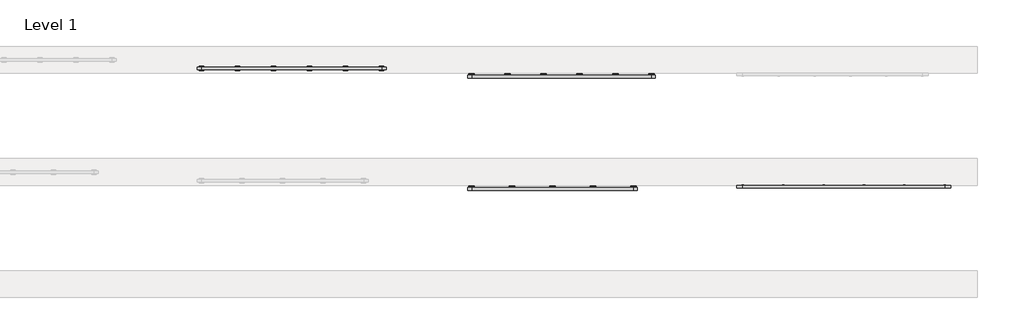
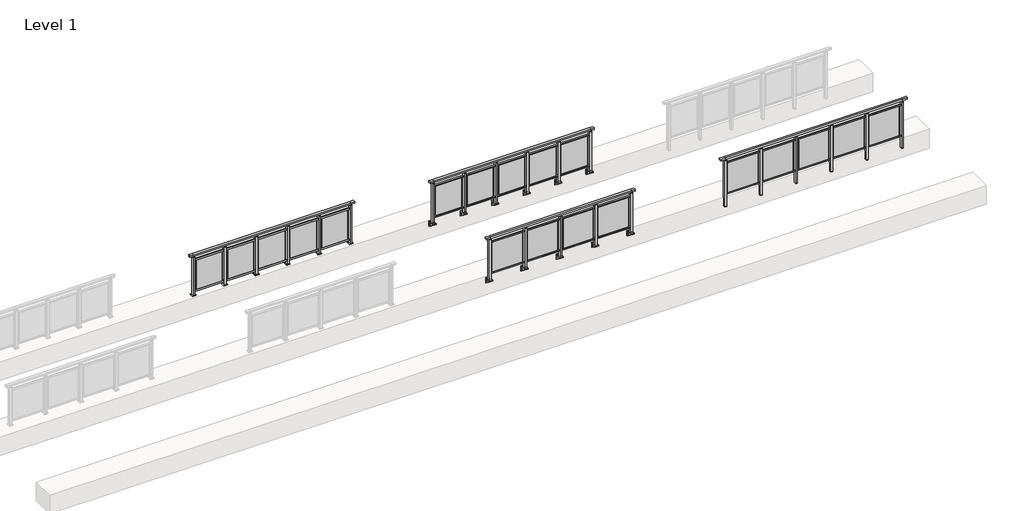
# One storey, part 36 of 37: 4 railings.
"""IFC4 building model written with IfcOpenShell, lengths in millimetres."""

from ifc_helpers import new_model, si_unit, point, frame, frame_2d, origin, origin_with_axes, place, context, project, spatial, polyline, circle_curve, trimmed, segment, composite_curve, outline, extrude, faceted_brep, element, save

model = new_model("IFC4")

# Units and contexts
model_context = context("Model", 3, world=origin())
ifc_project = project(units=[si_unit("LENGTHUNIT", "METRE", prefix="MILLI")], contexts=[model_context])

# Site, building, storey
site = spatial("IfcSite", under=ifc_project)
building = spatial("IfcBuilding", under=site)
storey = spatial("IfcBuildingStorey", under=building, Name="Level 1", Elevation=0.0)

# Railings
placement = place(None, origin())
element("IfcRailing", 1, at=placement, inside=storey, context=model_context, shape_type="SolidModel", body=[
    faceted_brep([(48027.0, 64897.6846828, 1055.0), (48027.0, 64897.6846828, 1100.0), (52527.0, 64897.6846828, 1100.0), (52527.0, 64897.6846828, 1055.0), (48027.0, 64837.6846828, 1055.0), (52527.0, 64837.6846828, 1055.0), (48027.0, 64837.6846828, 1100.0), (52527.0, 64837.6846828, 1100.0), (47899.5, 64897.6846828, 1100.0), (47899.5, 64897.6846828, 1055.0), (47899.5, 64837.6846828, 1055.0), (47899.5, 64837.6846828, 1100.0), (52654.5, 64897.6846828, 1100.0), (52654.5, 64837.6846828, 1100.0), (52654.5, 64837.6846828, 1055.0), (52654.5, 64897.6846828, 1055.0)], [[[0, 1, 2, 3]], [[4, 0, 3, 5]], [[6, 4, 5, 7]], [[1, 6, 7, 2]], [[8, 9, 10, 11]], [[9, 8, 1, 0]], [[10, 9, 0, 4]], [[11, 10, 4, 6]], [[8, 11, 6, 1]], [[12, 13, 14, 15]], [[3, 2, 12, 15]], [[5, 3, 15, 14]], [[7, 5, 14, 13]], [[2, 7, 13, 12]]]),
    extrude(outline(polyline([(48027.0, 64850.1846828), (48027.0, 64885.1846828), (52527.0, 64885.1846828), (52527.0, 64850.1846828), (48027.0, 64850.1846828)])), frame((0.0, 0.0, 930.0), z_axis=(0.0, 0.0, 1.0), x_axis=(1.0, 0.0, 0.0)), (0.0, 0.0, 1.0), 30.0),
    extrude(outline(polyline([(48027.0, 64850.1846828), (48027.0, 64885.1846828), (52527.0, 64885.1846828), (52527.0, 64850.1846828), (48027.0, 64850.1846828)])), frame((0.0, 0.0, 95.0), z_axis=(0.0, 0.0, 1.0), x_axis=(1.0, 0.0, 0.0)), (0.0, 0.0, 1.0), 30.0),
    extrude(outline(polyline([(51699.5, 64865.9094929), (51699.5, 64871.9094929), (52454.5, 64871.9094929), (52454.5, 64865.9094929), (51699.5, 64865.9094929)])), frame((0.0, 0.0, 125.0), z_axis=(0.0, 0.0, 1.0), x_axis=(1.0, 0.0, 0.0)), (0.0, 0.0, 1.0), 805.0),
    extrude(outline(polyline([(51649.5, 64900.1846828), (51649.5, 64835.1846828), (51604.5, 64835.1846828), (51604.5, 64900.1846828), (51649.5, 64900.1846828)])), frame((0.0, 0.0, 1027.0), z_axis=(0.0, 0.0, 1.0), x_axis=(1.0, 0.0, 0.0)), (0.0, 0.0, 1.0), 8.0),
    extrude(outline(polyline([(51649.5, 64900.1846828), (51649.5, 64835.1846828), (51604.5, 64835.1846828), (51604.5, 64900.1846828), (51649.5, 64900.1846828)])), frame((0.0, 0.0, -212.0), z_axis=(0.0, 0.0, 1.0), x_axis=(1.0, 0.0, 0.0)), (0.0, 0.0, 1.0), 1239.0),
    extrude(outline(polyline([(51637.0, 64877.6846828), (51637.0, 64857.6846828), (51617.0, 64857.6846828), (51617.0, 64877.6846828), (51637.0, 64877.6846828)])), frame((0.0, 0.0, 1035.0), z_axis=(0.0, 0.0, 1.0), x_axis=(1.0, 0.0, 0.0)), (0.0, 0.0, 1.0), 20.0),
    extrude(outline(polyline([(51649.5, 64900.1846828), (51649.5, 64835.1846828), (51604.5, 64835.1846828), (51604.5, 64900.1846828), (51649.5, 64900.1846828)])), frame((0.0, 0.0, -220.0), z_axis=(0.0, 0.0, 1.0), x_axis=(1.0, 0.0, 0.0)), (0.0, 0.0, 1.0), 8.0),
    extrude(outline(polyline([(50799.5, 64865.9094929), (50799.5, 64871.9094929), (51554.5, 64871.9094929), (51554.5, 64865.9094929), (50799.5, 64865.9094929)])), frame((0.0, 0.0, 125.0), z_axis=(0.0, 0.0, 1.0), x_axis=(1.0, 0.0, 0.0)), (0.0, 0.0, 1.0), 805.0),
    extrude(outline(polyline([(50749.5, 64900.1846828), (50749.5, 64835.1846828), (50704.5, 64835.1846828), (50704.5, 64900.1846828), (50749.5, 64900.1846828)])), frame((0.0, 0.0, 1027.0), z_axis=(0.0, 0.0, 1.0), x_axis=(1.0, 0.0, 0.0)), (0.0, 0.0, 1.0), 8.0),
    extrude(outline(polyline([(50749.5, 64900.1846828), (50749.5, 64835.1846828), (50704.5, 64835.1846828), (50704.5, 64900.1846828), (50749.5, 64900.1846828)])), frame((0.0, 0.0, -212.0), z_axis=(0.0, 0.0, 1.0), x_axis=(1.0, 0.0, 0.0)), (0.0, 0.0, 1.0), 1239.0),
    extrude(outline(polyline([(50737.0, 64877.6846828), (50737.0, 64857.6846828), (50717.0, 64857.6846828), (50717.0, 64877.6846828), (50737.0, 64877.6846828)])), frame((0.0, 0.0, 1035.0), z_axis=(0.0, 0.0, 1.0), x_axis=(1.0, 0.0, 0.0)), (0.0, 0.0, 1.0), 20.0),
    extrude(outline(polyline([(50749.5, 64900.1846828), (50749.5, 64835.1846828), (50704.5, 64835.1846828), (50704.5, 64900.1846828), (50749.5, 64900.1846828)])), frame((0.0, 0.0, -220.0), z_axis=(0.0, 0.0, 1.0), x_axis=(1.0, 0.0, 0.0)), (0.0, 0.0, 1.0), 8.0),
    extrude(outline(polyline([(49899.5, 64865.9094929), (49899.5, 64871.9094929), (50654.5, 64871.9094929), (50654.5, 64865.9094929), (49899.5, 64865.9094929)])), frame((0.0, 0.0, 125.0), z_axis=(0.0, 0.0, 1.0), x_axis=(1.0, 0.0, 0.0)), (0.0, 0.0, 1.0), 805.0),
    extrude(outline(polyline([(49849.5, 64900.1846828), (49849.5, 64835.1846828), (49804.5, 64835.1846828), (49804.5, 64900.1846828), (49849.5, 64900.1846828)])), frame((0.0, 0.0, 1027.0), z_axis=(0.0, 0.0, 1.0), x_axis=(1.0, 0.0, 0.0)), (0.0, 0.0, 1.0), 8.0),
    extrude(outline(polyline([(49849.5, 64900.1846828), (49849.5, 64835.1846828), (49804.5, 64835.1846828), (49804.5, 64900.1846828), (49849.5, 64900.1846828)])), frame((0.0, 0.0, -212.0), z_axis=(0.0, 0.0, 1.0), x_axis=(1.0, 0.0, 0.0)), (0.0, 0.0, 1.0), 1239.0),
    extrude(outline(polyline([(49837.0, 64877.6846828), (49837.0, 64857.6846828), (49817.0, 64857.6846828), (49817.0, 64877.6846828), (49837.0, 64877.6846828)])), frame((0.0, 0.0, 1035.0), z_axis=(0.0, 0.0, 1.0), x_axis=(1.0, 0.0, 0.0)), (0.0, 0.0, 1.0), 20.0),
    extrude(outline(polyline([(49849.5, 64900.1846828), (49849.5, 64835.1846828), (49804.5, 64835.1846828), (49804.5, 64900.1846828), (49849.5, 64900.1846828)])), frame((0.0, 0.0, -220.0), z_axis=(0.0, 0.0, 1.0), x_axis=(1.0, 0.0, 0.0)), (0.0, 0.0, 1.0), 8.0),
    extrude(outline(polyline([(48999.5, 64865.9094929), (48999.5, 64871.9094929), (49754.5, 64871.9094929), (49754.5, 64865.9094929), (48999.5, 64865.9094929)])), frame((0.0, 0.0, 125.0), z_axis=(0.0, 0.0, 1.0), x_axis=(1.0, 0.0, 0.0)), (0.0, 0.0, 1.0), 805.0),
    extrude(outline(polyline([(48949.5, 64900.1846828), (48949.5, 64835.1846828), (48904.5, 64835.1846828), (48904.5, 64900.1846828), (48949.5, 64900.1846828)])), frame((0.0, 0.0, 1027.0), z_axis=(0.0, 0.0, 1.0), x_axis=(1.0, 0.0, 0.0)), (0.0, 0.0, 1.0), 8.0),
    extrude(outline(polyline([(48949.5, 64900.1846828), (48949.5, 64835.1846828), (48904.5, 64835.1846828), (48904.5, 64900.1846828), (48949.5, 64900.1846828)])), frame((0.0, 0.0, -212.0), z_axis=(0.0, 0.0, 1.0), x_axis=(1.0, 0.0, 0.0)), (0.0, 0.0, 1.0), 1239.0),
    extrude(outline(polyline([(48937.0, 64877.6846828), (48937.0, 64857.6846828), (48917.0, 64857.6846828), (48917.0, 64877.6846828), (48937.0, 64877.6846828)])), frame((0.0, 0.0, 1035.0), z_axis=(0.0, 0.0, 1.0), x_axis=(1.0, 0.0, 0.0)), (0.0, 0.0, 1.0), 20.0),
    extrude(outline(polyline([(48949.5, 64900.1846828), (48949.5, 64835.1846828), (48904.5, 64835.1846828), (48904.5, 64900.1846828), (48949.5, 64900.1846828)])), frame((0.0, 0.0, -220.0), z_axis=(0.0, 0.0, 1.0), x_axis=(1.0, 0.0, 0.0)), (0.0, 0.0, 1.0), 8.0),
    extrude(outline(polyline([(48099.5, 64865.9094929), (48099.5, 64871.9094929), (48854.5, 64871.9094929), (48854.5, 64865.9094929), (48099.5, 64865.9094929)])), frame((0.0, 0.0, 125.0), z_axis=(0.0, 0.0, 1.0), x_axis=(1.0, 0.0, 0.0)), (0.0, 0.0, 1.0), 805.0),
    extrude(outline(polyline([(52549.5, 64900.1846828), (52549.5, 64835.1846828), (52504.5, 64835.1846828), (52504.5, 64900.1846828), (52549.5, 64900.1846828)])), frame((0.0, 0.0, 1027.0), z_axis=(0.0, 0.0, 1.0), x_axis=(1.0, 0.0, 0.0)), (0.0, 0.0, 1.0), 8.0),
    extrude(outline(polyline([(52549.5, 64900.1846828), (52549.5, 64835.1846828), (52504.5, 64835.1846828), (52504.5, 64900.1846828), (52549.5, 64900.1846828)])), frame((0.0, 0.0, -212.0), z_axis=(0.0, 0.0, 1.0), x_axis=(1.0, 0.0, 0.0)), (0.0, 0.0, 1.0), 1239.0),
    extrude(outline(polyline([(52537.0, 64877.6846828), (52537.0, 64857.6846828), (52517.0, 64857.6846828), (52517.0, 64877.6846828), (52537.0, 64877.6846828)])), frame((0.0, 0.0, 1035.0), z_axis=(0.0, 0.0, 1.0), x_axis=(1.0, 0.0, 0.0)), (0.0, 0.0, 1.0), 20.0),
    extrude(outline(polyline([(52549.5, 64900.1846828), (52549.5, 64835.1846828), (52504.5, 64835.1846828), (52504.5, 64900.1846828), (52549.5, 64900.1846828)])), frame((0.0, 0.0, -220.0), z_axis=(0.0, 0.0, 1.0), x_axis=(1.0, 0.0, 0.0)), (0.0, 0.0, 1.0), 8.0),
    extrude(outline(polyline([(48049.5, 64900.1846828), (48049.5, 64835.1846828), (48004.5, 64835.1846828), (48004.5, 64900.1846828), (48049.5, 64900.1846828)])), frame((0.0, 0.0, 1027.0), z_axis=(0.0, 0.0, 1.0), x_axis=(1.0, 0.0, 0.0)), (0.0, 0.0, 1.0), 8.0),
    extrude(outline(polyline([(48049.5, 64900.1846828), (48049.5, 64835.1846828), (48004.5, 64835.1846828), (48004.5, 64900.1846828), (48049.5, 64900.1846828)])), frame((0.0, 0.0, -212.0), z_axis=(0.0, 0.0, 1.0), x_axis=(1.0, 0.0, 0.0)), (0.0, 0.0, 1.0), 1239.0),
    extrude(outline(polyline([(48037.0, 64877.6846828), (48037.0, 64857.6846828), (48017.0, 64857.6846828), (48017.0, 64877.6846828), (48037.0, 64877.6846828)])), frame((0.0, 0.0, 1035.0), z_axis=(0.0, 0.0, 1.0), x_axis=(1.0, 0.0, 0.0)), (0.0, 0.0, 1.0), 20.0),
    extrude(outline(polyline([(48049.5, 64900.1846828), (48049.5, 64835.1846828), (48004.5, 64835.1846828), (48004.5, 64900.1846828), (48049.5, 64900.1846828)])), frame((0.0, 0.0, -220.0), z_axis=(0.0, 0.0, 1.0), x_axis=(1.0, 0.0, 0.0)), (0.0, 0.0, 1.0), 8.0),
])
element("IfcRailing", 2, at=placement, inside=storey, context=model_context, shape_type="SolidModel", body=[
    faceted_brep([(41910.0, 64847.6846828, 1100.0), (41910.0, 64847.6846828, 1055.0), (41910.0, 64787.6846828, 1055.0), (41910.0, 64787.6846828, 1100.0), (42000.0, 64847.6846828, 1100.0), (42000.0, 64847.6846828, 1055.0), (42000.0, 64787.6846828, 1055.0), (42000.0, 64787.6846828, 1100.0), (45600.0, 64847.6846828, 1100.0), (45600.0, 64847.6846828, 1055.0), (45600.0, 64787.6846828, 1055.0), (45600.0, 64787.6846828, 1100.0), (45690.0, 64847.6846828, 1100.0), (45690.0, 64787.6846828, 1100.0), (45690.0, 64787.6846828, 1055.0), (45690.0, 64847.6846828, 1055.0)], [[[0, 1, 2, 3]], [[1, 0, 4, 5]], [[2, 1, 5, 6]], [[3, 2, 6, 7]], [[0, 3, 7, 4]], [[5, 4, 8, 9]], [[6, 5, 9, 10]], [[7, 6, 10, 11]], [[4, 7, 11, 8]], [[12, 13, 14, 15]], [[9, 8, 12, 15]], [[10, 9, 15, 14]], [[11, 10, 14, 13]], [[8, 11, 13, 12]]]),
    extrude(outline(polyline([(42000.0, 64800.1846828), (42000.0, 64835.1846828), (45600.0, 64835.1846828), (45600.0, 64800.1846828), (42000.0, 64800.1846828)])), frame((0.0, 0.0, 930.0), z_axis=(0.0, 0.0, 1.0), x_axis=(1.0, 0.0, 0.0)), (0.0, 0.0, 1.0), 30.0),
    extrude(outline(polyline([(42000.0, 64800.1846828), (42000.0, 64835.1846828), (45600.0, 64835.1846828), (45600.0, 64800.1846828), (42000.0, 64800.1846828)])), frame((0.0, 0.0, 95.0), z_axis=(0.0, 0.0, 1.0), x_axis=(1.0, 0.0, 0.0)), (0.0, 0.0, 1.0), 30.0),
    extrude(outline(polyline([(44772.5, 64815.9094929), (44772.5, 64821.9094929), (45527.5, 64821.9094929), (45527.5, 64815.9094929), (44772.5, 64815.9094929)])), frame((0.0, 0.0, 125.0), z_axis=(0.0, 0.0, 1.0), x_axis=(1.0, 0.0, 0.0)), (0.0, 0.0, 1.0), 805.0),
    extrude(outline(composite_curve([segment(polyline([(64850.1846828, -70.0), (64884.1846828, -63.0), (64884.1846828, -32.5), (64900.1846828, -32.5), (64900.1846828, -167.5), (64884.1846828, -167.5), (64884.1846828, -113.5)]), True, "CONTINUOUS"), segment(trimmed(circle_curve(frame_2d((64864.1846828, -113.5)), 20.0), [point((64884.1846828, -113.5))], [point((64864.1846828, -93.5))], True, "CARTESIAN"), True, "CONTINUOUS"), segment(polyline([(64864.1846828, -93.5), (64780.1846828, -93.5), (64780.1846828, -70.0), (64850.1846828, -70.0)]), True, "CONTINUOUS")], self_intersect=False)), frame((44640.0, 0.0, 0.0), z_axis=(1.0, 0.0, 0.0), x_axis=(0.0, 1.0, 0.0)), (0.0, 0.0, 1.0), 120.0),
    extrude(outline(polyline([(44722.5, 64850.1846828), (44722.5, 64785.1846828), (44677.5, 64785.1846828), (44677.5, 64850.1846828), (44722.5, 64850.1846828)])), frame((0.0, 0.0, -70.0), z_axis=(0.0, 0.0, 1.0), x_axis=(1.0, 0.0, 0.0)), (0.0, 0.0, 1.0), 1097.0),
    extrude(outline(polyline([(44710.0, 64827.6846828), (44710.0, 64807.6846828), (44690.0, 64807.6846828), (44690.0, 64827.6846828), (44710.0, 64827.6846828)])), frame((0.0, 0.0, 1035.0), z_axis=(0.0, 0.0, 1.0), x_axis=(1.0, 0.0, 0.0)), (0.0, 0.0, 1.0), 20.0),
    extrude(outline(polyline([(44722.5, 64850.1846828), (44722.5, 64785.1846828), (44677.5, 64785.1846828), (44677.5, 64850.1846828), (44722.5, 64850.1846828)])), frame((0.0, 0.0, 1027.0), z_axis=(0.0, 0.0, 1.0), x_axis=(1.0, 0.0, 0.0)), (0.0, 0.0, 1.0), 8.0),
    extrude(outline(polyline([(43872.5, 64815.9094929), (43872.5, 64821.9094929), (44627.5, 64821.9094929), (44627.5, 64815.9094929), (43872.5, 64815.9094929)])), frame((0.0, 0.0, 125.0), z_axis=(0.0, 0.0, 1.0), x_axis=(1.0, 0.0, 0.0)), (0.0, 0.0, 1.0), 805.0),
    extrude(outline(composite_curve([segment(polyline([(64850.1846828, -70.0), (64884.1846828, -63.0), (64884.1846828, -32.5), (64900.1846828, -32.5), (64900.1846828, -167.5), (64884.1846828, -167.5), (64884.1846828, -113.5)]), True, "CONTINUOUS"), segment(trimmed(circle_curve(frame_2d((64864.1846828, -113.5)), 20.0), [point((64884.1846828, -113.5))], [point((64864.1846828, -93.5))], True, "CARTESIAN"), True, "CONTINUOUS"), segment(polyline([(64864.1846828, -93.5), (64780.1846828, -93.5), (64780.1846828, -70.0), (64850.1846828, -70.0)]), True, "CONTINUOUS")], self_intersect=False)), frame((43740.0, 0.0, 0.0), z_axis=(1.0, 0.0, 0.0), x_axis=(0.0, 1.0, 0.0)), (0.0, 0.0, 1.0), 120.0),
    extrude(outline(polyline([(43822.5, 64850.1846828), (43822.5, 64785.1846828), (43777.5, 64785.1846828), (43777.5, 64850.1846828), (43822.5, 64850.1846828)])), frame((0.0, 0.0, -70.0), z_axis=(0.0, 0.0, 1.0), x_axis=(1.0, 0.0, 0.0)), (0.0, 0.0, 1.0), 1097.0),
    extrude(outline(polyline([(43810.0, 64827.6846828), (43810.0, 64807.6846828), (43790.0, 64807.6846828), (43790.0, 64827.6846828), (43810.0, 64827.6846828)])), frame((0.0, 0.0, 1035.0), z_axis=(0.0, 0.0, 1.0), x_axis=(1.0, 0.0, 0.0)), (0.0, 0.0, 1.0), 20.0),
    extrude(outline(polyline([(43822.5, 64850.1846828), (43822.5, 64785.1846828), (43777.5, 64785.1846828), (43777.5, 64850.1846828), (43822.5, 64850.1846828)])), frame((0.0, 0.0, 1027.0), z_axis=(0.0, 0.0, 1.0), x_axis=(1.0, 0.0, 0.0)), (0.0, 0.0, 1.0), 8.0),
    extrude(outline(polyline([(42972.5, 64815.9094929), (42972.5, 64821.9094929), (43727.5, 64821.9094929), (43727.5, 64815.9094929), (42972.5, 64815.9094929)])), frame((0.0, 0.0, 125.0), z_axis=(0.0, 0.0, 1.0), x_axis=(1.0, 0.0, 0.0)), (0.0, 0.0, 1.0), 805.0),
    extrude(outline(composite_curve([segment(polyline([(64850.1846828, -70.0), (64884.1846828, -63.0), (64884.1846828, -32.5), (64900.1846828, -32.5), (64900.1846828, -167.5), (64884.1846828, -167.5), (64884.1846828, -113.5)]), True, "CONTINUOUS"), segment(trimmed(circle_curve(frame_2d((64864.1846828, -113.5)), 20.0), [point((64884.1846828, -113.5))], [point((64864.1846828, -93.5))], True, "CARTESIAN"), True, "CONTINUOUS"), segment(polyline([(64864.1846828, -93.5), (64780.1846828, -93.5), (64780.1846828, -70.0), (64850.1846828, -70.0)]), True, "CONTINUOUS")], self_intersect=False)), frame((42840.0, 0.0, 0.0), z_axis=(1.0, 0.0, 0.0), x_axis=(0.0, 1.0, 0.0)), (0.0, 0.0, 1.0), 120.0),
    extrude(outline(polyline([(42922.5, 64850.1846828), (42922.5, 64785.1846828), (42877.5, 64785.1846828), (42877.5, 64850.1846828), (42922.5, 64850.1846828)])), frame((0.0, 0.0, -70.0), z_axis=(0.0, 0.0, 1.0), x_axis=(1.0, 0.0, 0.0)), (0.0, 0.0, 1.0), 1097.0),
    extrude(outline(polyline([(42910.0, 64827.6846828), (42910.0, 64807.6846828), (42890.0, 64807.6846828), (42890.0, 64827.6846828), (42910.0, 64827.6846828)])), frame((0.0, 0.0, 1035.0), z_axis=(0.0, 0.0, 1.0), x_axis=(1.0, 0.0, 0.0)), (0.0, 0.0, 1.0), 20.0),
    extrude(outline(polyline([(42922.5, 64850.1846828), (42922.5, 64785.1846828), (42877.5, 64785.1846828), (42877.5, 64850.1846828), (42922.5, 64850.1846828)])), frame((0.0, 0.0, 1027.0), z_axis=(0.0, 0.0, 1.0), x_axis=(1.0, 0.0, 0.0)), (0.0, 0.0, 1.0), 8.0),
    extrude(outline(polyline([(42072.5, 64815.9094929), (42072.5, 64821.9094929), (42827.5, 64821.9094929), (42827.5, 64815.9094929), (42072.5, 64815.9094929)])), frame((0.0, 0.0, 125.0), z_axis=(0.0, 0.0, 1.0), x_axis=(1.0, 0.0, 0.0)), (0.0, 0.0, 1.0), 805.0),
    extrude(outline(composite_curve([segment(polyline([(64850.1846828, -70.0), (64884.1846828, -63.0), (64884.1846828, -32.5), (64900.1846828, -32.5), (64900.1846828, -167.5), (64884.1846828, -167.5), (64884.1846828, -113.5)]), True, "CONTINUOUS"), segment(trimmed(circle_curve(frame_2d((64864.1846828, -113.5)), 20.0), [point((64884.1846828, -113.5))], [point((64864.1846828, -93.5))], True, "CARTESIAN"), True, "CONTINUOUS"), segment(polyline([(64864.1846828, -93.5), (64780.1846828, -93.5), (64780.1846828, -70.0), (64850.1846828, -70.0)]), True, "CONTINUOUS")], self_intersect=False)), frame((45540.0, 0.0, 0.0), z_axis=(1.0, 0.0, 0.0), x_axis=(0.0, 1.0, 0.0)), (0.0, 0.0, 1.0), 120.0),
    extrude(outline(polyline([(45622.5, 64850.1846828), (45622.5, 64785.1846828), (45577.5, 64785.1846828), (45577.5, 64850.1846828), (45622.5, 64850.1846828)])), frame((0.0, 0.0, -70.0), z_axis=(0.0, 0.0, 1.0), x_axis=(1.0, 0.0, 0.0)), (0.0, 0.0, 1.0), 1097.0),
    extrude(outline(polyline([(45610.0, 64827.6846828), (45610.0, 64807.6846828), (45590.0, 64807.6846828), (45590.0, 64827.6846828), (45610.0, 64827.6846828)])), frame((0.0, 0.0, 1035.0), z_axis=(0.0, 0.0, 1.0), x_axis=(1.0, 0.0, 0.0)), (0.0, 0.0, 1.0), 20.0),
    extrude(outline(polyline([(45622.5, 64850.1846828), (45622.5, 64785.1846828), (45577.5, 64785.1846828), (45577.5, 64850.1846828), (45622.5, 64850.1846828)])), frame((0.0, 0.0, 1027.0), z_axis=(0.0, 0.0, 1.0), x_axis=(1.0, 0.0, 0.0)), (0.0, 0.0, 1.0), 8.0),
    extrude(outline(composite_curve([segment(polyline([(64850.1846828, -70.0), (64884.1846828, -63.0), (64884.1846828, -32.5), (64900.1846828, -32.5), (64900.1846828, -167.5), (64884.1846828, -167.5), (64884.1846828, -113.5)]), True, "CONTINUOUS"), segment(trimmed(circle_curve(frame_2d((64864.1846828, -113.5)), 20.0), [point((64884.1846828, -113.5))], [point((64864.1846828, -93.5))], True, "CARTESIAN"), True, "CONTINUOUS"), segment(polyline([(64864.1846828, -93.5), (64780.1846828, -93.5), (64780.1846828, -70.0), (64850.1846828, -70.0)]), True, "CONTINUOUS")], self_intersect=False)), frame((41940.0, 0.0, 0.0), z_axis=(1.0, 0.0, 0.0), x_axis=(0.0, 1.0, 0.0)), (0.0, 0.0, 1.0), 120.0),
    extrude(outline(polyline([(42022.5, 64850.1846828), (42022.5, 64785.1846828), (41977.5, 64785.1846828), (41977.5, 64850.1846828), (42022.5, 64850.1846828)])), frame((0.0, 0.0, -70.0), z_axis=(0.0, 0.0, 1.0), x_axis=(1.0, 0.0, 0.0)), (0.0, 0.0, 1.0), 1097.0),
    extrude(outline(polyline([(42010.0, 64827.6846828), (42010.0, 64807.6846828), (41990.0, 64807.6846828), (41990.0, 64827.6846828), (42010.0, 64827.6846828)])), frame((0.0, 0.0, 1035.0), z_axis=(0.0, 0.0, 1.0), x_axis=(1.0, 0.0, 0.0)), (0.0, 0.0, 1.0), 20.0),
    extrude(outline(polyline([(42022.5, 64850.1846828), (42022.5, 64785.1846828), (41977.5, 64785.1846828), (41977.5, 64850.1846828), (42022.5, 64850.1846828)])), frame((0.0, 0.0, 1027.0), z_axis=(0.0, 0.0, 1.0), x_axis=(1.0, 0.0, 0.0)), (0.0, 0.0, 1.0), 8.0),
])
element("IfcRailing", 3, at=placement, inside=storey, context=model_context, shape_type="SolidModel", body=[
    faceted_brep([(41910.0, 67347.6846828, 1100.0), (41910.0, 67347.6846828, 1055.0), (41910.0, 67287.6846828, 1055.0), (41910.0, 67287.6846828, 1100.0), (42000.0, 67347.6846828, 1100.0), (42000.0, 67347.6846828, 1055.0), (42000.0, 67287.6846828, 1055.0), (42000.0, 67287.6846828, 1100.0), (46000.0, 67347.6846828, 1100.0), (46000.0, 67347.6846828, 1055.0), (46000.0, 67287.6846828, 1055.0), (46000.0, 67287.6846828, 1100.0), (46090.0, 67347.6846828, 1100.0), (46090.0, 67287.6846828, 1100.0), (46090.0, 67287.6846828, 1055.0), (46090.0, 67347.6846828, 1055.0)], [[[0, 1, 2, 3]], [[1, 0, 4, 5]], [[2, 1, 5, 6]], [[3, 2, 6, 7]], [[0, 3, 7, 4]], [[5, 4, 8, 9]], [[6, 5, 9, 10]], [[7, 6, 10, 11]], [[4, 7, 11, 8]], [[12, 13, 14, 15]], [[9, 8, 12, 15]], [[10, 9, 15, 14]], [[11, 10, 14, 13]], [[8, 11, 13, 12]]]),
    extrude(outline(polyline([(42000.0, 67300.1846828), (42000.0, 67335.1846828), (46000.0, 67335.1846828), (46000.0, 67300.1846828), (42000.0, 67300.1846828)])), frame((0.0, 0.0, 930.0), z_axis=(0.0, 0.0, 1.0), x_axis=(1.0, 0.0, 0.0)), (0.0, 0.0, 1.0), 30.0),
    extrude(outline(polyline([(42000.0, 67300.1846828), (42000.0, 67335.1846828), (46000.0, 67335.1846828), (46000.0, 67300.1846828), (42000.0, 67300.1846828)])), frame((0.0, 0.0, 95.0), z_axis=(0.0, 0.0, 1.0), x_axis=(1.0, 0.0, 0.0)), (0.0, 0.0, 1.0), 30.0),
    extrude(outline(polyline([(45272.5, 67315.9094929), (45272.5, 67321.9094929), (45927.5, 67321.9094929), (45927.5, 67315.9094929), (45272.5, 67315.9094929)])), frame((0.0, 0.0, 125.0), z_axis=(0.0, 0.0, 1.0), x_axis=(1.0, 0.0, 0.0)), (0.0, 0.0, 1.0), 805.0),
    extrude(outline(composite_curve([segment(polyline([(67350.1846828, -70.0), (67384.1846828, -63.0), (67384.1846828, -32.5), (67400.1846828, -32.5), (67400.1846828, -167.5), (67384.1846828, -167.5), (67384.1846828, -113.5)]), True, "CONTINUOUS"), segment(trimmed(circle_curve(frame_2d((67364.1846828, -113.5)), 20.0), [point((67384.1846828, -113.5))], [point((67364.1846828, -93.5))], True, "CARTESIAN"), True, "CONTINUOUS"), segment(polyline([(67364.1846828, -93.5), (67280.1846828, -93.5), (67280.1846828, -70.0), (67350.1846828, -70.0)]), True, "CONTINUOUS")], self_intersect=False)), frame((45140.0, 0.0, 0.0), z_axis=(1.0, 0.0, 0.0), x_axis=(0.0, 1.0, 0.0)), (0.0, 0.0, 1.0), 120.0),
    extrude(outline(polyline([(45222.5, 67350.1846828), (45222.5, 67285.1846828), (45177.5, 67285.1846828), (45177.5, 67350.1846828), (45222.5, 67350.1846828)])), frame((0.0, 0.0, -70.0), z_axis=(0.0, 0.0, 1.0), x_axis=(1.0, 0.0, 0.0)), (0.0, 0.0, 1.0), 1097.0),
    extrude(outline(polyline([(45210.0, 67327.6846828), (45210.0, 67307.6846828), (45190.0, 67307.6846828), (45190.0, 67327.6846828), (45210.0, 67327.6846828)])), frame((0.0, 0.0, 1035.0), z_axis=(0.0, 0.0, 1.0), x_axis=(1.0, 0.0, 0.0)), (0.0, 0.0, 1.0), 20.0),
    extrude(outline(polyline([(45222.5, 67350.1846828), (45222.5, 67285.1846828), (45177.5, 67285.1846828), (45177.5, 67350.1846828), (45222.5, 67350.1846828)])), frame((0.0, 0.0, 1027.0), z_axis=(0.0, 0.0, 1.0), x_axis=(1.0, 0.0, 0.0)), (0.0, 0.0, 1.0), 8.0),
    extrude(outline(polyline([(44472.5, 67315.9094929), (44472.5, 67321.9094929), (45127.5, 67321.9094929), (45127.5, 67315.9094929), (44472.5, 67315.9094929)])), frame((0.0, 0.0, 125.0), z_axis=(0.0, 0.0, 1.0), x_axis=(1.0, 0.0, 0.0)), (0.0, 0.0, 1.0), 805.0),
    extrude(outline(composite_curve([segment(polyline([(67350.1846828, -70.0), (67384.1846828, -63.0), (67384.1846828, -32.5), (67400.1846828, -32.5), (67400.1846828, -167.5), (67384.1846828, -167.5), (67384.1846828, -113.5)]), True, "CONTINUOUS"), segment(trimmed(circle_curve(frame_2d((67364.1846828, -113.5)), 20.0), [point((67384.1846828, -113.5))], [point((67364.1846828, -93.5))], True, "CARTESIAN"), True, "CONTINUOUS"), segment(polyline([(67364.1846828, -93.5), (67280.1846828, -93.5), (67280.1846828, -70.0), (67350.1846828, -70.0)]), True, "CONTINUOUS")], self_intersect=False)), frame((44340.0, 0.0, 0.0), z_axis=(1.0, 0.0, 0.0), x_axis=(0.0, 1.0, 0.0)), (0.0, 0.0, 1.0), 120.0),
    extrude(outline(polyline([(44422.5, 67350.1846828), (44422.5, 67285.1846828), (44377.5, 67285.1846828), (44377.5, 67350.1846828), (44422.5, 67350.1846828)])), frame((0.0, 0.0, -70.0), z_axis=(0.0, 0.0, 1.0), x_axis=(1.0, 0.0, 0.0)), (0.0, 0.0, 1.0), 1097.0),
    extrude(outline(polyline([(44410.0, 67327.6846828), (44410.0, 67307.6846828), (44390.0, 67307.6846828), (44390.0, 67327.6846828), (44410.0, 67327.6846828)])), frame((0.0, 0.0, 1035.0), z_axis=(0.0, 0.0, 1.0), x_axis=(1.0, 0.0, 0.0)), (0.0, 0.0, 1.0), 20.0),
    extrude(outline(polyline([(44422.5, 67350.1846828), (44422.5, 67285.1846828), (44377.5, 67285.1846828), (44377.5, 67350.1846828), (44422.5, 67350.1846828)])), frame((0.0, 0.0, 1027.0), z_axis=(0.0, 0.0, 1.0), x_axis=(1.0, 0.0, 0.0)), (0.0, 0.0, 1.0), 8.0),
    extrude(outline(polyline([(43672.5, 67315.9094929), (43672.5, 67321.9094929), (44327.5, 67321.9094929), (44327.5, 67315.9094929), (43672.5, 67315.9094929)])), frame((0.0, 0.0, 125.0), z_axis=(0.0, 0.0, 1.0), x_axis=(1.0, 0.0, 0.0)), (0.0, 0.0, 1.0), 805.0),
    extrude(outline(composite_curve([segment(polyline([(67350.1846828, -70.0), (67384.1846828, -63.0), (67384.1846828, -32.5), (67400.1846828, -32.5), (67400.1846828, -167.5), (67384.1846828, -167.5), (67384.1846828, -113.5)]), True, "CONTINUOUS"), segment(trimmed(circle_curve(frame_2d((67364.1846828, -113.5)), 20.0), [point((67384.1846828, -113.5))], [point((67364.1846828, -93.5))], True, "CARTESIAN"), True, "CONTINUOUS"), segment(polyline([(67364.1846828, -93.5), (67280.1846828, -93.5), (67280.1846828, -70.0), (67350.1846828, -70.0)]), True, "CONTINUOUS")], self_intersect=False)), frame((43540.0, 0.0, 0.0), z_axis=(1.0, 0.0, 0.0), x_axis=(0.0, 1.0, 0.0)), (0.0, 0.0, 1.0), 120.0),
    extrude(outline(polyline([(43622.5, 67350.1846828), (43622.5, 67285.1846828), (43577.5, 67285.1846828), (43577.5, 67350.1846828), (43622.5, 67350.1846828)])), frame((0.0, 0.0, -70.0), z_axis=(0.0, 0.0, 1.0), x_axis=(1.0, 0.0, 0.0)), (0.0, 0.0, 1.0), 1097.0),
    extrude(outline(polyline([(43610.0, 67327.6846828), (43610.0, 67307.6846828), (43590.0, 67307.6846828), (43590.0, 67327.6846828), (43610.0, 67327.6846828)])), frame((0.0, 0.0, 1035.0), z_axis=(0.0, 0.0, 1.0), x_axis=(1.0, 0.0, 0.0)), (0.0, 0.0, 1.0), 20.0),
    extrude(outline(polyline([(43622.5, 67350.1846828), (43622.5, 67285.1846828), (43577.5, 67285.1846828), (43577.5, 67350.1846828), (43622.5, 67350.1846828)])), frame((0.0, 0.0, 1027.0), z_axis=(0.0, 0.0, 1.0), x_axis=(1.0, 0.0, 0.0)), (0.0, 0.0, 1.0), 8.0),
    extrude(outline(polyline([(42872.5, 67315.9094929), (42872.5, 67321.9094929), (43527.5, 67321.9094929), (43527.5, 67315.9094929), (42872.5, 67315.9094929)])), frame((0.0, 0.0, 125.0), z_axis=(0.0, 0.0, 1.0), x_axis=(1.0, 0.0, 0.0)), (0.0, 0.0, 1.0), 805.0),
    extrude(outline(composite_curve([segment(polyline([(67350.1846828, -70.0), (67384.1846828, -63.0), (67384.1846828, -32.5), (67400.1846828, -32.5), (67400.1846828, -167.5), (67384.1846828, -167.5), (67384.1846828, -113.5)]), True, "CONTINUOUS"), segment(trimmed(circle_curve(frame_2d((67364.1846828, -113.5)), 20.0), [point((67384.1846828, -113.5))], [point((67364.1846828, -93.5))], True, "CARTESIAN"), True, "CONTINUOUS"), segment(polyline([(67364.1846828, -93.5), (67280.1846828, -93.5), (67280.1846828, -70.0), (67350.1846828, -70.0)]), True, "CONTINUOUS")], self_intersect=False)), frame((42740.0, 0.0, 0.0), z_axis=(1.0, 0.0, 0.0), x_axis=(0.0, 1.0, 0.0)), (0.0, 0.0, 1.0), 120.0),
    extrude(outline(polyline([(42822.5, 67350.1846828), (42822.5, 67285.1846828), (42777.5, 67285.1846828), (42777.5, 67350.1846828), (42822.5, 67350.1846828)])), frame((0.0, 0.0, -70.0), z_axis=(0.0, 0.0, 1.0), x_axis=(1.0, 0.0, 0.0)), (0.0, 0.0, 1.0), 1097.0),
    extrude(outline(polyline([(42810.0, 67327.6846828), (42810.0, 67307.6846828), (42790.0, 67307.6846828), (42790.0, 67327.6846828), (42810.0, 67327.6846828)])), frame((0.0, 0.0, 1035.0), z_axis=(0.0, 0.0, 1.0), x_axis=(1.0, 0.0, 0.0)), (0.0, 0.0, 1.0), 20.0),
    extrude(outline(polyline([(42822.5, 67350.1846828), (42822.5, 67285.1846828), (42777.5, 67285.1846828), (42777.5, 67350.1846828), (42822.5, 67350.1846828)])), frame((0.0, 0.0, 1027.0), z_axis=(0.0, 0.0, 1.0), x_axis=(1.0, 0.0, 0.0)), (0.0, 0.0, 1.0), 8.0),
    extrude(outline(polyline([(42072.5, 67315.9094929), (42072.5, 67321.9094929), (42727.5, 67321.9094929), (42727.5, 67315.9094929), (42072.5, 67315.9094929)])), frame((0.0, 0.0, 125.0), z_axis=(0.0, 0.0, 1.0), x_axis=(1.0, 0.0, 0.0)), (0.0, 0.0, 1.0), 805.0),
    extrude(outline(composite_curve([segment(polyline([(67350.1846828, -70.0), (67384.1846828, -63.0), (67384.1846828, -32.5), (67400.1846828, -32.5), (67400.1846828, -167.5), (67384.1846828, -167.5), (67384.1846828, -113.5)]), True, "CONTINUOUS"), segment(trimmed(circle_curve(frame_2d((67364.1846828, -113.5)), 20.0), [point((67384.1846828, -113.5))], [point((67364.1846828, -93.5))], True, "CARTESIAN"), True, "CONTINUOUS"), segment(polyline([(67364.1846828, -93.5), (67280.1846828, -93.5), (67280.1846828, -70.0), (67350.1846828, -70.0)]), True, "CONTINUOUS")], self_intersect=False)), frame((45940.0, 0.0, 0.0), z_axis=(1.0, 0.0, 0.0), x_axis=(0.0, 1.0, 0.0)), (0.0, 0.0, 1.0), 120.0),
    extrude(outline(polyline([(46022.5, 67350.1846828), (46022.5, 67285.1846828), (45977.5, 67285.1846828), (45977.5, 67350.1846828), (46022.5, 67350.1846828)])), frame((0.0, 0.0, -70.0), z_axis=(0.0, 0.0, 1.0), x_axis=(1.0, 0.0, 0.0)), (0.0, 0.0, 1.0), 1097.0),
    extrude(outline(polyline([(46010.0, 67327.6846828), (46010.0, 67307.6846828), (45990.0, 67307.6846828), (45990.0, 67327.6846828), (46010.0, 67327.6846828)])), frame((0.0, 0.0, 1035.0), z_axis=(0.0, 0.0, 1.0), x_axis=(1.0, 0.0, 0.0)), (0.0, 0.0, 1.0), 20.0),
    extrude(outline(polyline([(46022.5, 67350.1846828), (46022.5, 67285.1846828), (45977.5, 67285.1846828), (45977.5, 67350.1846828), (46022.5, 67350.1846828)])), frame((0.0, 0.0, 1027.0), z_axis=(0.0, 0.0, 1.0), x_axis=(1.0, 0.0, 0.0)), (0.0, 0.0, 1.0), 8.0),
    extrude(outline(composite_curve([segment(polyline([(67350.1846828, -70.0), (67384.1846828, -63.0), (67384.1846828, -32.5), (67400.1846828, -32.5), (67400.1846828, -167.5), (67384.1846828, -167.5), (67384.1846828, -113.5)]), True, "CONTINUOUS"), segment(trimmed(circle_curve(frame_2d((67364.1846828, -113.5)), 20.0), [point((67384.1846828, -113.5))], [point((67364.1846828, -93.5))], True, "CARTESIAN"), True, "CONTINUOUS"), segment(polyline([(67364.1846828, -93.5), (67280.1846828, -93.5), (67280.1846828, -70.0), (67350.1846828, -70.0)]), True, "CONTINUOUS")], self_intersect=False)), frame((41940.0, 0.0, 0.0), z_axis=(1.0, 0.0, 0.0), x_axis=(0.0, 1.0, 0.0)), (0.0, 0.0, 1.0), 120.0),
    extrude(outline(polyline([(42022.5, 67350.1846828), (42022.5, 67285.1846828), (41977.5, 67285.1846828), (41977.5, 67350.1846828), (42022.5, 67350.1846828)])), frame((0.0, 0.0, -70.0), z_axis=(0.0, 0.0, 1.0), x_axis=(1.0, 0.0, 0.0)), (0.0, 0.0, 1.0), 1097.0),
    extrude(outline(polyline([(42010.0, 67327.6846828), (42010.0, 67307.6846828), (41990.0, 67307.6846828), (41990.0, 67327.6846828), (42010.0, 67327.6846828)])), frame((0.0, 0.0, 1035.0), z_axis=(0.0, 0.0, 1.0), x_axis=(1.0, 0.0, 0.0)), (0.0, 0.0, 1.0), 20.0),
    extrude(outline(polyline([(42022.5, 67350.1846828), (42022.5, 67285.1846828), (41977.5, 67285.1846828), (41977.5, 67350.1846828), (42022.5, 67350.1846828)])), frame((0.0, 0.0, 1027.0), z_axis=(0.0, 0.0, 1.0), x_axis=(1.0, 0.0, 0.0)), (0.0, 0.0, 1.0), 8.0),
])
element("IfcRailing", 4, at=placement, inside=storey, context=model_context, shape_type="SolidModel", body=[
    faceted_brep([(36000.0, 67530.1846828, 1055.0), (36000.0, 67530.1846828, 1100.0), (40000.0, 67530.1846828, 1100.0), (40000.0, 67530.1846828, 1055.0), (36000.0, 67470.1846828, 1055.0), (40000.0, 67470.1846828, 1055.0), (36000.0, 67470.1846828, 1100.0), (40000.0, 67470.1846828, 1100.0), (35900.0, 67530.1846828, 1100.0), (35900.0, 67530.1846828, 1055.0), (35900.0, 67470.1846828, 1055.0), (35900.0, 67470.1846828, 1100.0), (40100.0, 67530.1846828, 1100.0), (40100.0, 67470.1846828, 1100.0), (40100.0, 67470.1846828, 1055.0), (40100.0, 67530.1846828, 1055.0)], [[[0, 1, 2, 3]], [[4, 0, 3, 5]], [[6, 4, 5, 7]], [[1, 6, 7, 2]], [[8, 9, 10, 11]], [[9, 8, 1, 0]], [[10, 9, 0, 4]], [[11, 10, 4, 6]], [[8, 11, 6, 1]], [[12, 13, 14, 15]], [[3, 2, 12, 15]], [[5, 3, 15, 14]], [[7, 5, 14, 13]], [[2, 7, 13, 12]]]),
    extrude(outline(polyline([(36000.0, 67482.6846828), (36000.0, 67517.6846828), (40000.0, 67517.6846828), (40000.0, 67482.6846828), (36000.0, 67482.6846828)])), frame((0.0, 0.0, 930.0), z_axis=(0.0, 0.0, 1.0), x_axis=(1.0, 0.0, 0.0)), (0.0, 0.0, 1.0), 30.0),
    extrude(outline(polyline([(36000.0, 67482.6846828), (36000.0, 67517.6846828), (40000.0, 67517.6846828), (40000.0, 67482.6846828), (36000.0, 67482.6846828)])), frame((0.0, 0.0, 95.0), z_axis=(0.0, 0.0, 1.0), x_axis=(1.0, 0.0, 0.0)), (0.0, 0.0, 1.0), 30.0),
    extrude(outline(polyline([(39272.5, 67501.9598727), (39927.5, 67501.9598727), (39927.5, 67495.9598727), (39272.5, 67495.9598727), (39272.5, 67501.9598727)])), frame((0.0, 0.0, 125.0), z_axis=(0.0, 0.0, 1.0), x_axis=(1.0, 0.0, 0.0)), (0.0, 0.0, 1.0), 805.0),
    extrude(outline(polyline([(39210.0, 67490.1846828), (39190.0, 67490.1846828), (39190.0, 67510.1846828), (39210.0, 67510.1846828), (39210.0, 67490.1846828)])), frame((0.0, 0.0, 1035.0), z_axis=(0.0, 0.0, 1.0), x_axis=(1.0, 0.0, 0.0)), (0.0, 0.0, 1.0), 20.0),
    extrude(outline(polyline([(39222.5, 67467.6846828), (39177.5, 67467.6846828), (39177.5, 67532.6846828), (39222.5, 67532.6846828), (39222.5, 67467.6846828)])), frame((0.0, 0.0, 1027.0), z_axis=(0.0, 0.0, 1.0), x_axis=(1.0, 0.0, 0.0)), (0.0, 0.0, 1.0), 8.0),
    extrude(outline(polyline([(39250.0, 67450.1846828), (39150.0, 67450.1846828), (39150.0, 67550.1846828), (39250.0, 67550.1846828), (39250.0, 67450.1846828)])), origin_with_axes(), (0.0, 0.0, 1.0), 12.0),
    extrude(outline(polyline([(39222.5, 67467.6846828), (39177.5, 67467.6846828), (39177.5, 67532.6846828), (39222.5, 67532.6846828), (39222.5, 67467.6846828)])), frame((0.0, 0.0, 12.0), z_axis=(0.0, 0.0, 1.0), x_axis=(1.0, 0.0, 0.0)), (0.0, 0.0, 1.0), 1015.0),
    extrude(outline(polyline([(38472.5, 67501.9598727), (39127.5, 67501.9598727), (39127.5, 67495.9598727), (38472.5, 67495.9598727), (38472.5, 67501.9598727)])), frame((0.0, 0.0, 125.0), z_axis=(0.0, 0.0, 1.0), x_axis=(1.0, 0.0, 0.0)), (0.0, 0.0, 1.0), 805.0),
    extrude(outline(polyline([(38410.0, 67490.1846828), (38390.0, 67490.1846828), (38390.0, 67510.1846828), (38410.0, 67510.1846828), (38410.0, 67490.1846828)])), frame((0.0, 0.0, 1035.0), z_axis=(0.0, 0.0, 1.0), x_axis=(1.0, 0.0, 0.0)), (0.0, 0.0, 1.0), 20.0),
    extrude(outline(polyline([(38422.5, 67467.6846828), (38377.5, 67467.6846828), (38377.5, 67532.6846828), (38422.5, 67532.6846828), (38422.5, 67467.6846828)])), frame((0.0, 0.0, 1027.0), z_axis=(0.0, 0.0, 1.0), x_axis=(1.0, 0.0, 0.0)), (0.0, 0.0, 1.0), 8.0),
    extrude(outline(polyline([(38450.0, 67450.1846828), (38350.0, 67450.1846828), (38350.0, 67550.1846828), (38450.0, 67550.1846828), (38450.0, 67450.1846828)])), origin_with_axes(), (0.0, 0.0, 1.0), 12.0),
    extrude(outline(polyline([(38422.5, 67467.6846828), (38377.5, 67467.6846828), (38377.5, 67532.6846828), (38422.5, 67532.6846828), (38422.5, 67467.6846828)])), frame((0.0, 0.0, 12.0), z_axis=(0.0, 0.0, 1.0), x_axis=(1.0, 0.0, 0.0)), (0.0, 0.0, 1.0), 1015.0),
    extrude(outline(polyline([(37672.5, 67501.9598727), (38327.5, 67501.9598727), (38327.5, 67495.9598727), (37672.5, 67495.9598727), (37672.5, 67501.9598727)])), frame((0.0, 0.0, 125.0), z_axis=(0.0, 0.0, 1.0), x_axis=(1.0, 0.0, 0.0)), (0.0, 0.0, 1.0), 805.0),
    extrude(outline(polyline([(37610.0, 67490.1846828), (37590.0, 67490.1846828), (37590.0, 67510.1846828), (37610.0, 67510.1846828), (37610.0, 67490.1846828)])), frame((0.0, 0.0, 1035.0), z_axis=(0.0, 0.0, 1.0), x_axis=(1.0, 0.0, 0.0)), (0.0, 0.0, 1.0), 20.0),
    extrude(outline(polyline([(37622.5, 67467.6846828), (37577.5, 67467.6846828), (37577.5, 67532.6846828), (37622.5, 67532.6846828), (37622.5, 67467.6846828)])), frame((0.0, 0.0, 1027.0), z_axis=(0.0, 0.0, 1.0), x_axis=(1.0, 0.0, 0.0)), (0.0, 0.0, 1.0), 8.0),
    extrude(outline(polyline([(37650.0, 67450.1846828), (37550.0, 67450.1846828), (37550.0, 67550.1846828), (37650.0, 67550.1846828), (37650.0, 67450.1846828)])), origin_with_axes(), (0.0, 0.0, 1.0), 12.0),
    extrude(outline(polyline([(37622.5, 67467.6846828), (37577.5, 67467.6846828), (37577.5, 67532.6846828), (37622.5, 67532.6846828), (37622.5, 67467.6846828)])), frame((0.0, 0.0, 12.0), z_axis=(0.0, 0.0, 1.0), x_axis=(1.0, 0.0, 0.0)), (0.0, 0.0, 1.0), 1015.0),
    extrude(outline(polyline([(36872.5, 67501.9598727), (37527.5, 67501.9598727), (37527.5, 67495.9598727), (36872.5, 67495.9598727), (36872.5, 67501.9598727)])), frame((0.0, 0.0, 125.0), z_axis=(0.0, 0.0, 1.0), x_axis=(1.0, 0.0, 0.0)), (0.0, 0.0, 1.0), 805.0),
    extrude(outline(polyline([(36810.0, 67490.1846828), (36790.0, 67490.1846828), (36790.0, 67510.1846828), (36810.0, 67510.1846828), (36810.0, 67490.1846828)])), frame((0.0, 0.0, 1035.0), z_axis=(0.0, 0.0, 1.0), x_axis=(1.0, 0.0, 0.0)), (0.0, 0.0, 1.0), 20.0),
    extrude(outline(polyline([(36822.5, 67467.6846828), (36777.5, 67467.6846828), (36777.5, 67532.6846828), (36822.5, 67532.6846828), (36822.5, 67467.6846828)])), frame((0.0, 0.0, 1027.0), z_axis=(0.0, 0.0, 1.0), x_axis=(1.0, 0.0, 0.0)), (0.0, 0.0, 1.0), 8.0),
    extrude(outline(polyline([(36850.0, 67450.1846828), (36750.0, 67450.1846828), (36750.0, 67550.1846828), (36850.0, 67550.1846828), (36850.0, 67450.1846828)])), origin_with_axes(), (0.0, 0.0, 1.0), 12.0),
    extrude(outline(polyline([(36822.5, 67467.6846828), (36777.5, 67467.6846828), (36777.5, 67532.6846828), (36822.5, 67532.6846828), (36822.5, 67467.6846828)])), frame((0.0, 0.0, 12.0), z_axis=(0.0, 0.0, 1.0), x_axis=(1.0, 0.0, 0.0)), (0.0, 0.0, 1.0), 1015.0),
    extrude(outline(polyline([(36072.5, 67501.9598727), (36727.5, 67501.9598727), (36727.5, 67495.9598727), (36072.5, 67495.9598727), (36072.5, 67501.9598727)])), frame((0.0, 0.0, 125.0), z_axis=(0.0, 0.0, 1.0), x_axis=(1.0, 0.0, 0.0)), (0.0, 0.0, 1.0), 805.0),
    extrude(outline(polyline([(40010.0, 67490.1846828), (39990.0, 67490.1846828), (39990.0, 67510.1846828), (40010.0, 67510.1846828), (40010.0, 67490.1846828)])), frame((0.0, 0.0, 1035.0), z_axis=(0.0, 0.0, 1.0), x_axis=(1.0, 0.0, 0.0)), (0.0, 0.0, 1.0), 20.0),
    extrude(outline(polyline([(40022.5, 67467.6846828), (39977.5, 67467.6846828), (39977.5, 67532.6846828), (40022.5, 67532.6846828), (40022.5, 67467.6846828)])), frame((0.0, 0.0, 1027.0), z_axis=(0.0, 0.0, 1.0), x_axis=(1.0, 0.0, 0.0)), (0.0, 0.0, 1.0), 8.0),
    extrude(outline(polyline([(40050.0, 67450.1846828), (39950.0, 67450.1846828), (39950.0, 67550.1846828), (40050.0, 67550.1846828), (40050.0, 67450.1846828)])), origin_with_axes(), (0.0, 0.0, 1.0), 12.0),
    extrude(outline(polyline([(40022.5, 67467.6846828), (39977.5, 67467.6846828), (39977.5, 67532.6846828), (40022.5, 67532.6846828), (40022.5, 67467.6846828)])), frame((0.0, 0.0, 12.0), z_axis=(0.0, 0.0, 1.0), x_axis=(1.0, 0.0, 0.0)), (0.0, 0.0, 1.0), 1015.0),
    extrude(outline(polyline([(36010.0, 67490.1846828), (35990.0, 67490.1846828), (35990.0, 67510.1846828), (36010.0, 67510.1846828), (36010.0, 67490.1846828)])), frame((0.0, 0.0, 1035.0), z_axis=(0.0, 0.0, 1.0), x_axis=(1.0, 0.0, 0.0)), (0.0, 0.0, 1.0), 20.0),
    extrude(outline(polyline([(36022.5, 67467.6846828), (35977.5, 67467.6846828), (35977.5, 67532.6846828), (36022.5, 67532.6846828), (36022.5, 67467.6846828)])), frame((0.0, 0.0, 1027.0), z_axis=(0.0, 0.0, 1.0), x_axis=(1.0, 0.0, 0.0)), (0.0, 0.0, 1.0), 8.0),
    extrude(outline(polyline([(36050.0, 67450.1846828), (35950.0, 67450.1846828), (35950.0, 67550.1846828), (36050.0, 67550.1846828), (36050.0, 67450.1846828)])), origin_with_axes(), (0.0, 0.0, 1.0), 12.0),
    extrude(outline(polyline([(36022.5, 67467.6846828), (35977.5, 67467.6846828), (35977.5, 67532.6846828), (36022.5, 67532.6846828), (36022.5, 67467.6846828)])), frame((0.0, 0.0, 12.0), z_axis=(0.0, 0.0, 1.0), x_axis=(1.0, 0.0, 0.0)), (0.0, 0.0, 1.0), 1015.0),
])

save(model, "model.ifc")
